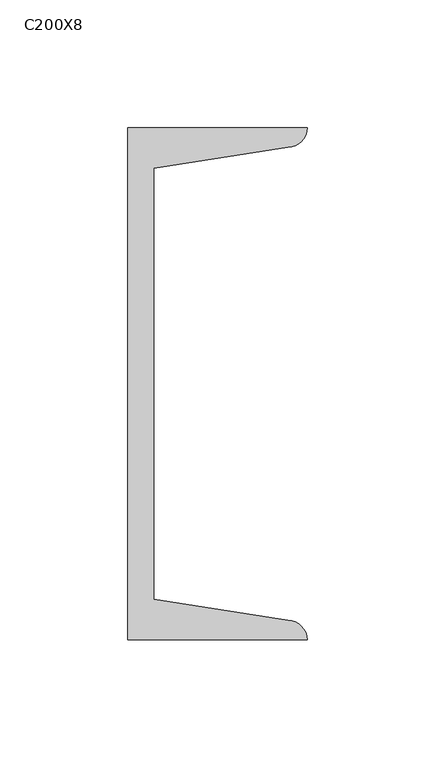
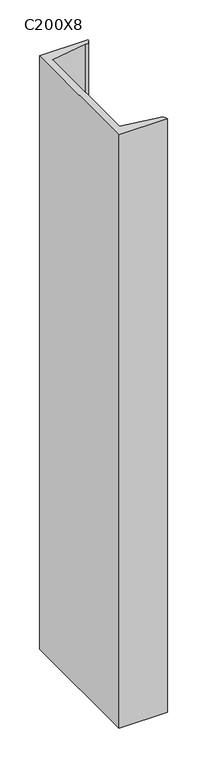
"""IFC4 building model written with IfcOpenShell, lengths in millimetres: column geometry, C200X8."""

from ifc_helpers import new_model, si_unit, point, frame, frame_2d, origin, place, context, project, spatial, polyline, circle_curve, trimmed, segment, composite_curve, outline, extrude, source, transform, mapped, element, save


def c200x8_d7654511(model_context):
    return source(origin(), model_context, "Body", "SweptSolid", [
        extrude(outline(composite_curve([segment(polyline([(5.0, 100.0), (75.0, 100.0)]), True, "CONTINUOUS"), segment(trimmed(circle_curve(frame_2d((67.5, 100.0)), 7.5), [point((75.0, 100.0))], [point((67.5, 92.5))], False, "CARTESIAN"), True, "CONTINUOUS"), segment(polyline([(67.5, 92.5), (15.0, 84.1848169), (15.0, -84.1848169), (67.5, -92.5)]), True, "CONTINUOUS"), segment(trimmed(circle_curve(frame_2d((67.5, -100.0)), 7.5), [point((67.5, -92.5))], [point((75.0, -100.0))], False, "CARTESIAN"), True, "CONTINUOUS"), segment(polyline([(75.0, -100.0), (5.0, -100.0), (5.0, 100.0)]), True, "CONTINUOUS")], self_intersect=False)), frame((0.0, 0.0, 9380.0), z_axis=(0.0, 0.0, 1.0), x_axis=(1.0, 0.0, 0.0)), (0.0, 0.0, 1.0), 910.0),
    ])


if __name__ == "__main__":
    model = new_model("IFC4")
    model_context = context("Model", 3, world=origin())
    ifc_project = project(units=[si_unit("LENGTHUNIT", "METRE", prefix="MILLI")], contexts=[model_context])
    site = spatial("IfcSite", under=ifc_project)
    building = spatial("IfcBuilding", under=site)
    placement = place(None, origin())
    c200x8_shape = c200x8_d7654511(model_context)
    element("IfcColumn", 1, ObjectType="C200X8", at=placement, inside=building, context=model_context, shape_type="MappedRepresentation", body=[
        mapped(c200x8_shape, transform((0.0, 0.0, 0.0), x_axis=(1.0, 0.0, 0.0), y_axis=(0.0, 1.0, 0.0), z_axis=(0.0, 0.0, 1.0))),
    ])
    save(model, "model.ifc")
